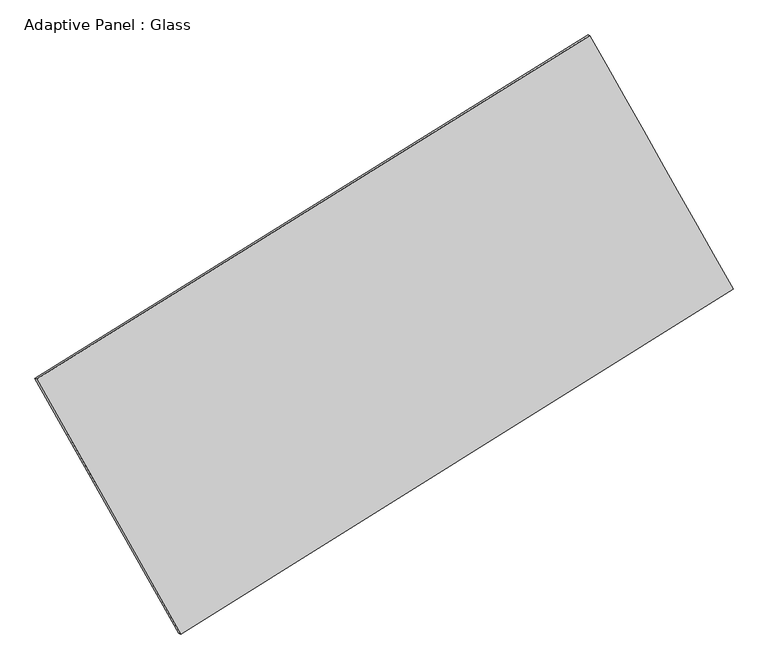
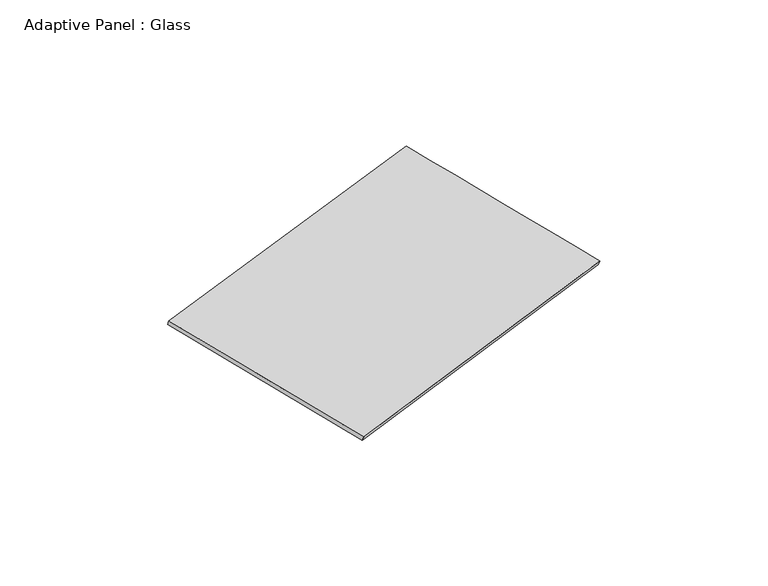
"""IFC4 building model written with IfcOpenShell, lengths in millimetres: plate geometry, Adaptive Panel : Glass."""

from ifc_helpers import new_model, si_unit, frame, origin, place, context, project, spatial, source, transform, mapped, element, save
from ifc_brep_helpers import plane_surface, spline_surface, advanced_brep


def adaptive_panel_glass_f5ed6077(model_context):
    return source(origin(), model_context, "Body", "AdvancedBrep", [
        advanced_brep(
        [(1165.7066255, 2552.5282094, 663.6157499), (-3741.186078, -496.8823136, 1777.1029715), (-3726.5197221, -503.262407, 1824.4758796), (1180.3729814, 2546.1481159, 710.9886579), (-2464.387798, -2759.308232, 1072.0984775), (-2449.7214422, -2765.6883255, 1119.4713855), (2436.5766723, 303.4137634, -27.6946787), (2451.2430281, 297.0336699, 19.6782293)],
        [
            (0, 1),
            (1, 2),
            (2, 3),
            (3, 0),
            (1, 4),
            (4, 5),
            (5, 2),
            (4, 6),
            (6, 7),
            (7, 5),
            (6, 0),
            (3, 7),
        ],
        [
            plane_surface(frame((-1287.7397262, 1027.8229479, 1220.3593607), z_axis=(-0.46691182166451584, 0.8456933723334685, 0.25844935825257714), x_axis=(-0.8339997064215566, -0.518292865677983, 0.18925378483946315))),
            plane_surface(frame((-3102.786938, -1628.0952728, 1424.6007245), z_axis=(-0.829746936988711, -0.5262312431284324, 0.18601263213383354), x_axis=(0.4743278574090759, -0.8404864380624508, -0.26190767670843407))),
            plane_surface(frame((-13.9055629, -1227.9472343, 522.2018994), z_axis=(0.46940050271706096, -0.8441424574950949, -0.2590109640596566), x_axis=(0.8330774400713785, 0.5206086710148501, -0.18694542120167182))),
            plane_surface(frame((1801.1416489, 1427.9709864, 317.9605356), z_axis=(0.8298288329861558, 0.5260862170495653, -0.18605751845951524), x_axis=(-0.4752273881665729, 0.8410307462972065, 0.25850766588080437))),
            spline_surface(1, 1, [[(-3726.5197221, -503.262407, 1824.4758796), (1180.3729814, 2546.1481159, 710.9886579)], [(-2449.7214422, -2765.6883255, 1119.4713855), (2451.2430281, 297.0336699, 19.6782293)]], [2, 2], [2, 2], [0.0, 1.0], [0.0, 1.0]),
            spline_surface(1, 1, [[(2436.5766723, 303.4137634, -27.6946787), (1165.7066255, 2552.5282094, 663.6157499)], [(-2464.387798, -2759.308232, 1072.0984775), (-3741.186078, -496.8823136, 1777.1029715)]], [2, 2], [2, 2], [0.0, 1.0], [0.0, 1.0]),
        ],
        [
            (0, [[1, 2, 3, 4]]),
            (1, [[5, 6, 7, -2]]),
            (2, [[8, 9, 10, -6]]),
            (3, [[11, -4, 12, -9]]),
            (4, [[-3, -7, -10, -12]]),
            (5, [[-11, -8, -5, -1]]),
        ],
    ),
    ])


if __name__ == "__main__":
    model = new_model("IFC4")
    model_context = context("Model", 3, world=origin())
    ifc_project = project(units=[si_unit("LENGTHUNIT", "METRE", prefix="MILLI")], contexts=[model_context])
    site = spatial("IfcSite", under=ifc_project)
    building = spatial("IfcBuilding", under=site)
    placement = place(None, origin())
    adaptive_panel_glass_shape = adaptive_panel_glass_f5ed6077(model_context)
    element("IfcPlate", 1, ObjectType="Adaptive Panel : Glass", at=placement, inside=building, context=model_context, shape_type="MappedRepresentation", body=[
        mapped(adaptive_panel_glass_shape, transform((0.0, 0.0, 0.0), x_axis=(1.0, 0.0, 0.0), y_axis=(0.0, 1.0, 0.0), z_axis=(0.0, 0.0, 1.0))),
    ])
    save(model, "model.ifc")
